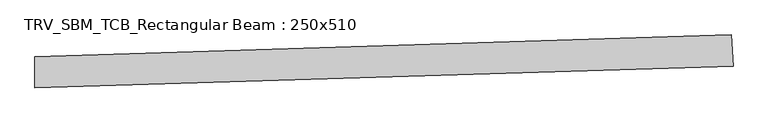
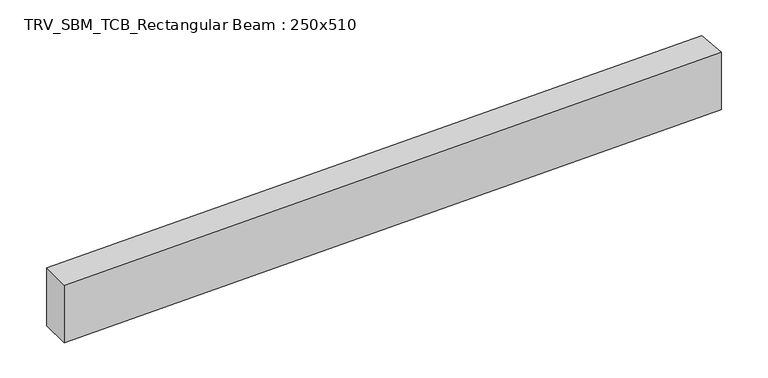
"""IFC4 building model written with IfcOpenShell, lengths in millimetres: beam geometry, TRV_SBM_TCB_Rectangular Beam : 250x510."""

import ifcopenshell
import ifcopenshell.guid

model = None  # the IFC model being written
_history = None  # IfcOwnerHistory: only IFC2X3 demands one
_inside = {}  # id of a spatial element -> (the spatial element, [elements in it])
_under = {}  # id of a project, library or spatial element -> (it, [spatial elements below it])
_declared = {}  # id of a project -> (the project, [libraries it declares])
_typed = {}  # id of a type object -> (the type object, [elements of that type])
_made_of = {}  # id of a material, layer set ... -> (it, [elements and type objects made of it])


def new_model(schema):
    """Start an empty IFC model of exactly this schema.

    Asked for "IFC4X3", IfcOpenShell would pick the latest addendum, in which some entities
    have other attributes; the version numbers below select the first issue.
    IFC2X3 requires an IfcOwnerHistory on every rooted entity: one is made here for all.
    """
    global model, _history
    if schema == "IFC4X3":
        model = ifcopenshell.file(schema_version=(4, 3, 0, 0))
    else:
        model = ifcopenshell.file(schema=schema)
    _inside.clear()
    _under.clear()
    _declared.clear()
    _typed.clear()
    _made_of.clear()
    _history = None
    if model.schema == "IFC2X3":
        org = make("IfcOrganization", Name="unknown")
        user = make(
            "IfcPersonAndOrganization",
            ThePerson=make("IfcPerson", FamilyName="unknown"),
            TheOrganization=org,
        )
        app = make(
            "IfcApplication",
            ApplicationDeveloper=org,
            Version="unknown",
            ApplicationFullName="unknown",
            ApplicationIdentifier="unknown",
        )
        _history = make(
            "IfcOwnerHistory",
            OwningUser=user,
            OwningApplication=app,
            ChangeAction="ADDED",
            CreationDate=0,
        )
    return model


def make(cls, **values):
    """One entity of the class cls with the attributes given. An attribute that is None is left unset."""
    return model.create_entity(
        cls, **{name: value for name, value in values.items() if value is not None}
    )


def rooted(cls, **values):
    """An entity with a GlobalId (a new one), such as an element, a storey or a relation."""
    return make(cls, GlobalId=ifcopenshell.guid.new(), OwnerHistory=_history, **values)


def si_unit(unit_type, name, prefix=None):
    """IfcSIUnit, for example si_unit("LENGTHUNIT", "METRE", prefix="MILLI")."""
    return make("IfcSIUnit", UnitType=unit_type, Prefix=prefix, Name=name)


def assignment(units):
    """IfcUnitAssignment: the units of a project."""
    return None if units is None else make("IfcUnitAssignment", Units=units)


def point(xyz):
    """IfcCartesianPoint."""
    return None if xyz is None else make("IfcCartesianPoint", Coordinates=xyz)


def direction(xyz):
    """IfcDirection."""
    return None if xyz is None else make("IfcDirection", DirectionRatios=xyz)


def frame(location, z_axis=None, x_axis=None):
    """IfcAxis2Placement3D, a coordinate frame: its origin and axes. An axis left out is left unset."""
    return make(
        "IfcAxis2Placement3D",
        Location=point(location),
        Axis=direction(z_axis),
        RefDirection=direction(x_axis),
    )


def frame_2d(location, x_axis=None):
    """IfcAxis2Placement2D, a coordinate frame in the plane: its origin and x axis."""
    return make(
        "IfcAxis2Placement2D", Location=point(location), RefDirection=direction(x_axis)
    )


def origin():
    """The frame at (0, 0, 0) with its axes left unset."""
    return frame((0.0, 0.0, 0.0))


def place(relative_to, where):
    """IfcLocalPlacement: puts the frame where relative to a parent placement (None: the world)."""
    return make(
        "IfcLocalPlacement", PlacementRelTo=relative_to, RelativePlacement=where
    )


def context(
    kind, dimensions, precision=None, world=None, true_north=None, identifier=None
):
    """IfcGeometricRepresentationContext, for example the 3D "Model" context."""
    return make(
        "IfcGeometricRepresentationContext",
        ContextIdentifier=identifier,
        ContextType=kind,
        CoordinateSpaceDimension=dimensions,
        Precision=precision,
        WorldCoordinateSystem=world,
        TrueNorth=true_north,
    )


def project(units=None, contexts=None):
    """IfcProject with its units and contexts."""
    return rooted(
        "IfcProject",
        Name="project",
        RepresentationContexts=contexts,
        UnitsInContext=assignment(units),
    )


def spatial(cls, under=None, at=None, **own):
    """A site, building, storey or space (cls), placed at a placement, below another one or the project."""
    s = rooted(cls, ObjectPlacement=at, **own)
    if under is not None:
        _under.setdefault(under.id(), (under, []))[1].append(s)
    return s


def polyline(points):
    """IfcPolyline through the points."""
    return make("IfcPolyline", Points=[point(p) for p in points])


def circle_curve(where, radius):
    """IfcCircle in the frame where."""
    return make("IfcCircle", Position=where, Radius=radius)


def trimmed(basis, trim1, trim2, sense, master):
    """IfcTrimmedCurve: the piece of a basis curve between two trims."""
    return make(
        "IfcTrimmedCurve",
        BasisCurve=basis,
        Trim1=trim1,
        Trim2=trim2,
        SenseAgreement=sense,
        MasterRepresentation=master,
    )


def segment(curve, same_sense, transition):
    """IfcCompositeCurveSegment."""
    return make(
        "IfcCompositeCurveSegment",
        Transition=transition,
        SameSense=same_sense,
        ParentCurve=curve,
    )


def composite_curve(segments, self_intersect=None):
    """IfcCompositeCurve: segments joined end to end."""
    return make("IfcCompositeCurve", Segments=segments, SelfIntersect=self_intersect)


def outline(outer, holes=None, kind="AREA"):
    """IfcArbitraryClosedProfileDef: a profile drawn as a closed curve; with holes, ...WithVoids."""
    if holes is None:
        return make("IfcArbitraryClosedProfileDef", ProfileType=kind, OuterCurve=outer)
    return make(
        "IfcArbitraryProfileDefWithVoids",
        ProfileType=kind,
        OuterCurve=outer,
        InnerCurves=holes,
    )


def extrude(swept, where, along, depth):
    """IfcExtrudedAreaSolid: the profile swept, set in the frame where, extruded along a direction by depth."""
    return make(
        "IfcExtrudedAreaSolid",
        SweptArea=swept,
        Position=where,
        ExtrudedDirection=direction(along),
        Depth=depth,
    )


def shape(context_of_items, identifier, shape_type, items):
    """IfcShapeRepresentation: the items that make up one representation, for example the "Body"."""
    return make(
        "IfcShapeRepresentation",
        ContextOfItems=context_of_items,
        RepresentationIdentifier=identifier,
        RepresentationType=shape_type,
        Items=items,
    )


def source(mapping_origin, context_of_items, identifier, shape_type, items):
    """IfcRepresentationMap: a shape defined once, which mapped items show again and again."""
    return make(
        "IfcRepresentationMap",
        MappingOrigin=mapping_origin,
        MappedRepresentation=shape(context_of_items, identifier, shape_type, items),
    )


def transform(
    local_origin,
    x_axis=None,
    y_axis=None,
    z_axis=None,
    scale=None,
    scale2=None,
    scale3=None,
    uniform=True,
):
    """IfcCartesianTransformationOperator3D, or its non-uniform kind. x_axis, y_axis, z_axis: its Axis1, 2, 3."""
    if uniform:
        return make(
            "IfcCartesianTransformationOperator3D",
            Axis1=direction(x_axis),
            Axis2=direction(y_axis),
            LocalOrigin=point(local_origin),
            Scale=scale,
            Axis3=direction(z_axis),
        )
    return make(
        "IfcCartesianTransformationOperator3DnonUniform",
        Axis1=direction(x_axis),
        Axis2=direction(y_axis),
        LocalOrigin=point(local_origin),
        Scale=scale,
        Axis3=direction(z_axis),
        Scale2=scale2,
        Scale3=scale3,
    )


def mapped(mapping_source, mapping_target):
    """IfcMappedItem: shows the shape of a source again, moved by a transform."""
    return make(
        "IfcMappedItem", MappingSource=mapping_source, MappingTarget=mapping_target
    )


def made_of(thing, what):
    """Note that an element or type object is made of a material, layer set ...; save() writes the relation."""
    if what is not None:
        _made_of.setdefault(what.id(), (what, []))[1].append(thing)
    return thing


def element(
    cls,
    number,
    at=None,
    inside=None,
    cuts=None,
    type_object=None,
    material=None,
    context=None,
    identifier="Body",
    shape_type=None,
    held_by="IfcProductDefinitionShape",
    body=None,
    shapes=None,
    **own,
):
    """One element of the class cls, such as IfcWall. Its Tag is "e" and its number.

    at: its placement. inside: the storey or other place that contains it. cuts: it is an
    opening in that element (IfcRelVoidsElement). A single representation is given by context,
    identifier, shape_type and body (its items); several are given by shapes. held_by: the class
    of the entity that holds the representations. save() writes the other relations.
    """
    e = rooted(cls, Tag="e%d" % number, ObjectPlacement=at, **own)
    if body is not None:
        shapes = [shape(context, identifier, shape_type, body)]
    if shapes is not None:
        e.Representation = make(held_by, Representations=shapes)
    if inside is not None:
        _inside.setdefault(inside.id(), (inside, []))[1].append(e)
    if cuts is not None:
        rooted(
            "IfcRelVoidsElement", RelatingBuildingElement=cuts, RelatedOpeningElement=e
        )
    if type_object is not None:
        _typed.setdefault(type_object.id(), (type_object, []))[1].append(e)
    return made_of(e, material)


def aggregate(whole, parts):
    """IfcRelAggregates: a whole, such as a stair, and the parts it consists of."""
    return rooted("IfcRelAggregates", RelatingObject=whole, RelatedObjects=parts)


def save(model, path):
    """Write the relations noted so far, then the file.

    IfcRelAggregates (storeys below a building ...), IfcRelContainedInSpatialStructure (elements
    in a storey), IfcRelDefinesByType, IfcRelAssociatesMaterial and IfcRelDeclares: one each for
    every whole, place, type object, material and project.
    """
    for whole, parts in _under.values():
        aggregate(whole, parts)
    for where, things in _inside.values():
        rooted(
            "IfcRelContainedInSpatialStructure",
            RelatedElements=things,
            RelatingStructure=where,
        )
    for kind, things in _typed.values():
        rooted("IfcRelDefinesByType", RelatedObjects=things, RelatingType=kind)
    for what, things in _made_of.values():
        rooted("IfcRelAssociatesMaterial", RelatedObjects=things, RelatingMaterial=what)
    for by, libraries in _declared.values():
        rooted("IfcRelDeclares", RelatingContext=by, RelatedDefinitions=libraries)
    model.write(path)


def trv_sbm_tcb_rectangular_beam_250x510_ac5f5da5(model_context):
    return source(origin(), model_context, "Body", "SweptSolid", [
        extrude(outline(composite_curve([segment(polyline([(5545.9680608, 298.1335197), (5561.5618177, 48.6203241)]), True, "CONTINUOUS"), segment(trimmed(circle_curve(frame_2d((0.0, 89038.276313)), 89163.276313), [point((5561.5618177, 48.6203241))], [point((-12.7193686, -124.9990928))], False, "CARTESIAN"), True, "CONTINUOUS"), segment(polyline([(-12.7193686, -124.9990928), (-12.6837055, 125.0009047)]), True, "CONTINUOUS"), segment(trimmed(circle_curve(frame_2d((0.0, 89038.276313)), 88913.276313), [point((-12.6837055, 125.0009047))], [point((5545.9680608, 298.1335197))], True, "CARTESIAN"), True, "CONTINUOUS")], self_intersect=False)), frame((0.0, 0.0, -255.0), z_axis=(0.0, 0.0, 1.0), x_axis=(1.0, 0.0, 0.0)), (0.0, 0.0, 1.0), 510.0),
    ])


if __name__ == "__main__":
    model = new_model("IFC4")
    model_context = context("Model", 3, world=origin())
    ifc_project = project(units=[si_unit("LENGTHUNIT", "METRE", prefix="MILLI")], contexts=[model_context])
    site = spatial("IfcSite", under=ifc_project)
    building = spatial("IfcBuilding", under=site)
    placement = place(None, origin())
    trv_sbm_tcb_rectangular_beam_250x510_shape = trv_sbm_tcb_rectangular_beam_250x510_ac5f5da5(model_context)
    element("IfcBeam", 1, ObjectType="TRV_SBM_TCB_Rectangular Beam : 250x510", at=placement, inside=building, context=model_context, shape_type="MappedRepresentation", body=[
        mapped(trv_sbm_tcb_rectangular_beam_250x510_shape, transform((0.0, 0.0, 0.0), x_axis=(1.0, 0.0, 0.0), y_axis=(0.0, 1.0, 0.0), z_axis=(0.0, 0.0, 1.0))),
    ])
    save(model, "model.ifc")
